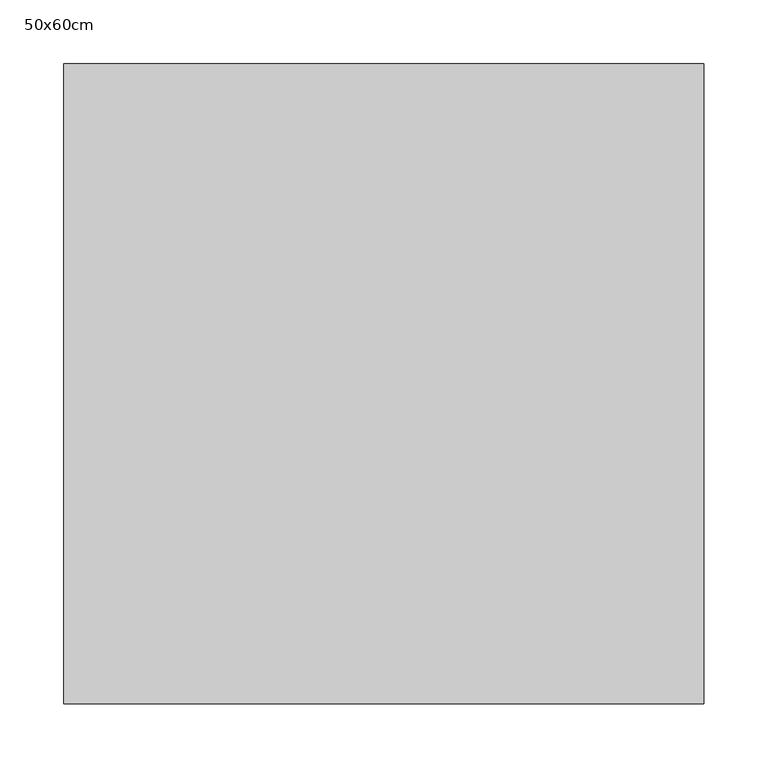
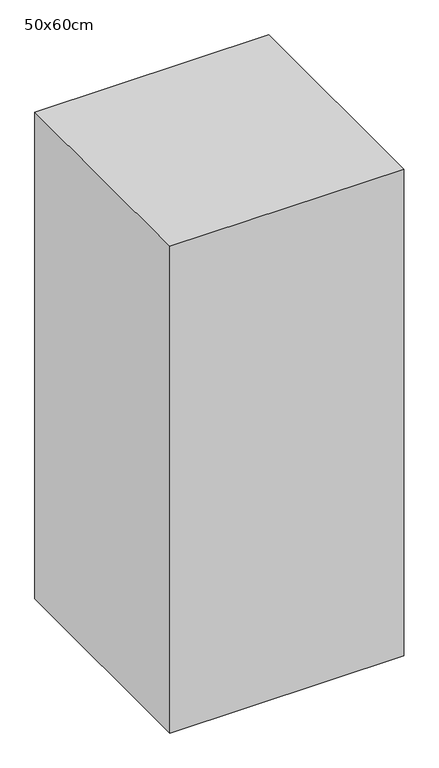
"""IFC4 building model written with IfcOpenShell, lengths in millimetres: proxy geometry, 50x60cm."""

import ifcopenshell
import ifcopenshell.guid

model = None  # the IFC model being written
_history = None  # IfcOwnerHistory: only IFC2X3 demands one
_inside = {}  # id of a spatial element -> (the spatial element, [elements in it])
_under = {}  # id of a project, library or spatial element -> (it, [spatial elements below it])
_declared = {}  # id of a project -> (the project, [libraries it declares])
_typed = {}  # id of a type object -> (the type object, [elements of that type])
_made_of = {}  # id of a material, layer set ... -> (it, [elements and type objects made of it])


def new_model(schema):
    """Start an empty IFC model of exactly this schema.

    Asked for "IFC4X3", IfcOpenShell would pick the latest addendum, in which some entities
    have other attributes; the version numbers below select the first issue.
    IFC2X3 requires an IfcOwnerHistory on every rooted entity: one is made here for all.
    """
    global model, _history
    if schema == "IFC4X3":
        model = ifcopenshell.file(schema_version=(4, 3, 0, 0))
    else:
        model = ifcopenshell.file(schema=schema)
    _inside.clear()
    _under.clear()
    _declared.clear()
    _typed.clear()
    _made_of.clear()
    _history = None
    if model.schema == "IFC2X3":
        org = make("IfcOrganization", Name="unknown")
        user = make(
            "IfcPersonAndOrganization",
            ThePerson=make("IfcPerson", FamilyName="unknown"),
            TheOrganization=org,
        )
        app = make(
            "IfcApplication",
            ApplicationDeveloper=org,
            Version="unknown",
            ApplicationFullName="unknown",
            ApplicationIdentifier="unknown",
        )
        _history = make(
            "IfcOwnerHistory",
            OwningUser=user,
            OwningApplication=app,
            ChangeAction="ADDED",
            CreationDate=0,
        )
    return model


def make(cls, **values):
    """One entity of the class cls with the attributes given. An attribute that is None is left unset."""
    return model.create_entity(
        cls, **{name: value for name, value in values.items() if value is not None}
    )


def rooted(cls, **values):
    """An entity with a GlobalId (a new one), such as an element, a storey or a relation."""
    return make(cls, GlobalId=ifcopenshell.guid.new(), OwnerHistory=_history, **values)


def si_unit(unit_type, name, prefix=None):
    """IfcSIUnit, for example si_unit("LENGTHUNIT", "METRE", prefix="MILLI")."""
    return make("IfcSIUnit", UnitType=unit_type, Prefix=prefix, Name=name)


def assignment(units):
    """IfcUnitAssignment: the units of a project."""
    return None if units is None else make("IfcUnitAssignment", Units=units)


def point(xyz):
    """IfcCartesianPoint."""
    return None if xyz is None else make("IfcCartesianPoint", Coordinates=xyz)


def direction(xyz):
    """IfcDirection."""
    return None if xyz is None else make("IfcDirection", DirectionRatios=xyz)


def frame(location, z_axis=None, x_axis=None):
    """IfcAxis2Placement3D, a coordinate frame: its origin and axes. An axis left out is left unset."""
    return make(
        "IfcAxis2Placement3D",
        Location=point(location),
        Axis=direction(z_axis),
        RefDirection=direction(x_axis),
    )


def origin():
    """The frame at (0, 0, 0) with its axes left unset."""
    return frame((0.0, 0.0, 0.0))


def place(relative_to, where):
    """IfcLocalPlacement: puts the frame where relative to a parent placement (None: the world)."""
    return make(
        "IfcLocalPlacement", PlacementRelTo=relative_to, RelativePlacement=where
    )


def context(
    kind, dimensions, precision=None, world=None, true_north=None, identifier=None
):
    """IfcGeometricRepresentationContext, for example the 3D "Model" context."""
    return make(
        "IfcGeometricRepresentationContext",
        ContextIdentifier=identifier,
        ContextType=kind,
        CoordinateSpaceDimension=dimensions,
        Precision=precision,
        WorldCoordinateSystem=world,
        TrueNorth=true_north,
    )


def project(units=None, contexts=None):
    """IfcProject with its units and contexts."""
    return rooted(
        "IfcProject",
        Name="project",
        RepresentationContexts=contexts,
        UnitsInContext=assignment(units),
    )


def spatial(cls, under=None, at=None, **own):
    """A site, building, storey or space (cls), placed at a placement, below another one or the project."""
    s = rooted(cls, ObjectPlacement=at, **own)
    if under is not None:
        _under.setdefault(under.id(), (under, []))[1].append(s)
    return s


def polyline(points):
    """IfcPolyline through the points."""
    return make("IfcPolyline", Points=[point(p) for p in points])


def outline(outer, holes=None, kind="AREA"):
    """IfcArbitraryClosedProfileDef: a profile drawn as a closed curve; with holes, ...WithVoids."""
    if holes is None:
        return make("IfcArbitraryClosedProfileDef", ProfileType=kind, OuterCurve=outer)
    return make(
        "IfcArbitraryProfileDefWithVoids",
        ProfileType=kind,
        OuterCurve=outer,
        InnerCurves=holes,
    )


def extrude(swept, where, along, depth):
    """IfcExtrudedAreaSolid: the profile swept, set in the frame where, extruded along a direction by depth."""
    return make(
        "IfcExtrudedAreaSolid",
        SweptArea=swept,
        Position=where,
        ExtrudedDirection=direction(along),
        Depth=depth,
    )


def shape(context_of_items, identifier, shape_type, items):
    """IfcShapeRepresentation: the items that make up one representation, for example the "Body"."""
    return make(
        "IfcShapeRepresentation",
        ContextOfItems=context_of_items,
        RepresentationIdentifier=identifier,
        RepresentationType=shape_type,
        Items=items,
    )


def source(mapping_origin, context_of_items, identifier, shape_type, items):
    """IfcRepresentationMap: a shape defined once, which mapped items show again and again."""
    return make(
        "IfcRepresentationMap",
        MappingOrigin=mapping_origin,
        MappedRepresentation=shape(context_of_items, identifier, shape_type, items),
    )


def transform(
    local_origin,
    x_axis=None,
    y_axis=None,
    z_axis=None,
    scale=None,
    scale2=None,
    scale3=None,
    uniform=True,
):
    """IfcCartesianTransformationOperator3D, or its non-uniform kind. x_axis, y_axis, z_axis: its Axis1, 2, 3."""
    if uniform:
        return make(
            "IfcCartesianTransformationOperator3D",
            Axis1=direction(x_axis),
            Axis2=direction(y_axis),
            LocalOrigin=point(local_origin),
            Scale=scale,
            Axis3=direction(z_axis),
        )
    return make(
        "IfcCartesianTransformationOperator3DnonUniform",
        Axis1=direction(x_axis),
        Axis2=direction(y_axis),
        LocalOrigin=point(local_origin),
        Scale=scale,
        Axis3=direction(z_axis),
        Scale2=scale2,
        Scale3=scale3,
    )


def mapped(mapping_source, mapping_target):
    """IfcMappedItem: shows the shape of a source again, moved by a transform."""
    return make(
        "IfcMappedItem", MappingSource=mapping_source, MappingTarget=mapping_target
    )


def made_of(thing, what):
    """Note that an element or type object is made of a material, layer set ...; save() writes the relation."""
    if what is not None:
        _made_of.setdefault(what.id(), (what, []))[1].append(thing)
    return thing


def element(
    cls,
    number,
    at=None,
    inside=None,
    cuts=None,
    type_object=None,
    material=None,
    context=None,
    identifier="Body",
    shape_type=None,
    held_by="IfcProductDefinitionShape",
    body=None,
    shapes=None,
    **own,
):
    """One element of the class cls, such as IfcWall. Its Tag is "e" and its number.

    at: its placement. inside: the storey or other place that contains it. cuts: it is an
    opening in that element (IfcRelVoidsElement). A single representation is given by context,
    identifier, shape_type and body (its items); several are given by shapes. held_by: the class
    of the entity that holds the representations. save() writes the other relations.
    """
    e = rooted(cls, Tag="e%d" % number, ObjectPlacement=at, **own)
    if body is not None:
        shapes = [shape(context, identifier, shape_type, body)]
    if shapes is not None:
        e.Representation = make(held_by, Representations=shapes)
    if inside is not None:
        _inside.setdefault(inside.id(), (inside, []))[1].append(e)
    if cuts is not None:
        rooted(
            "IfcRelVoidsElement", RelatingBuildingElement=cuts, RelatedOpeningElement=e
        )
    if type_object is not None:
        _typed.setdefault(type_object.id(), (type_object, []))[1].append(e)
    return made_of(e, material)


def aggregate(whole, parts):
    """IfcRelAggregates: a whole, such as a stair, and the parts it consists of."""
    return rooted("IfcRelAggregates", RelatingObject=whole, RelatedObjects=parts)


def save(model, path):
    """Write the relations noted so far, then the file.

    IfcRelAggregates (storeys below a building ...), IfcRelContainedInSpatialStructure (elements
    in a storey), IfcRelDefinesByType, IfcRelAssociatesMaterial and IfcRelDeclares: one each for
    every whole, place, type object, material and project.
    """
    for whole, parts in _under.values():
        aggregate(whole, parts)
    for where, things in _inside.values():
        rooted(
            "IfcRelContainedInSpatialStructure",
            RelatedElements=things,
            RelatingStructure=where,
        )
    for kind, things in _typed.values():
        rooted("IfcRelDefinesByType", RelatedObjects=things, RelatingType=kind)
    for what, things in _made_of.values():
        rooted("IfcRelAssociatesMaterial", RelatedObjects=things, RelatingMaterial=what)
    for by, libraries in _declared.values():
        rooted("IfcRelDeclares", RelatingContext=by, RelatedDefinitions=libraries)
    model.write(path)


def proxy_50x60cm_64e3d242(model_context):
    return source(origin(), model_context, "Body", "SweptSolid", [
        extrude(outline(polyline([(500.0, 500.0), (500.0, 0.0), (0.0, 0.0), (0.0, 500.0), (500.0, 500.0)])), frame((0.0, 0.0, 100.0), z_axis=(0.0, 0.0, 1.0), x_axis=(1.0, 0.0, 0.0)), (0.0, 0.0, 1.0), 1100.0),
    ])


if __name__ == "__main__":
    model = new_model("IFC4")
    model_context = context("Model", 3, world=origin())
    ifc_project = project(units=[si_unit("LENGTHUNIT", "METRE", prefix="MILLI")], contexts=[model_context])
    site = spatial("IfcSite", under=ifc_project)
    building = spatial("IfcBuilding", under=site)
    placement = place(None, origin())
    proxy_50x60cm_shape = proxy_50x60cm_64e3d242(model_context)
    element("IfcBuildingElementProxy", 1, Name="50x60cm", ObjectType="50x60cm", at=placement, inside=building, context=model_context, shape_type="MappedRepresentation", body=[
        mapped(proxy_50x60cm_shape, transform((0.0, 0.0, 0.0), x_axis=(1.0, 0.0, 0.0), y_axis=(0.0, 1.0, 0.0), z_axis=(0.0, 0.0, 1.0))),
    ])
    save(model, "model.ifc")
